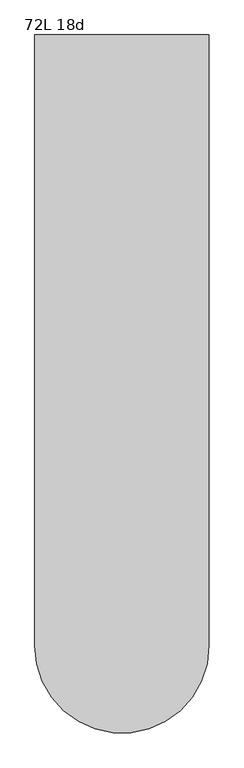
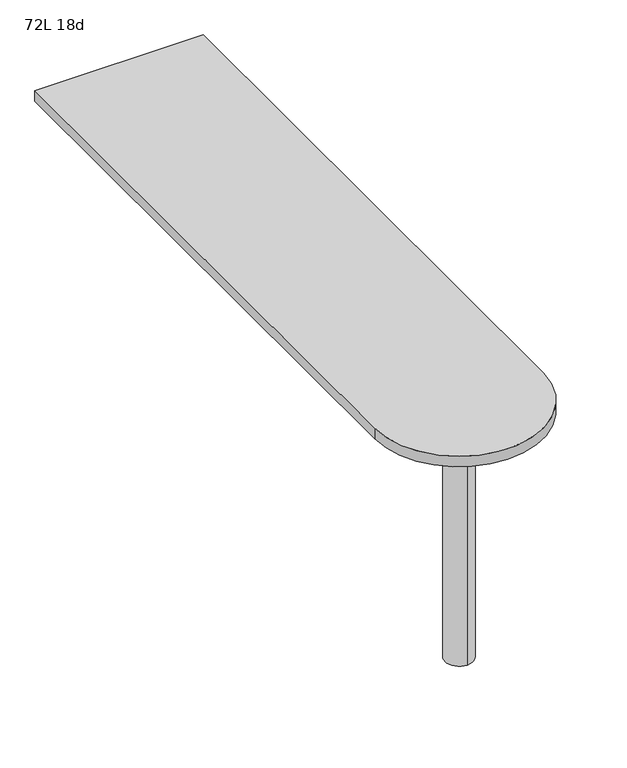
"""IFC4 building model written with IfcOpenShell, lengths in millimetres: furniture geometry, 72L 18d."""

from ifc_helpers import new_model, si_unit, point, frame, frame_2d, origin, place, context, project, spatial, polyline, circle_curve, trimmed, segment, composite_curve, outline, extrude, source, transform, mapped, element, save
from ifc_brep_helpers import plane_surface, cylinder_surface, advanced_brep


def furniture_72l_18d_0ee1b830(model_context):
    return source(origin(), model_context, "Body", "SolidModel", [
        advanced_brep(
        [(0.0, -647.7, 706.4375), (0.0, -723.9, 706.4375), (0.0, -685.8, 706.4375), (0.0, -647.7, 0.0), (0.0, -723.9, 0.0), (0.0, -685.8, 0.0)],
        [
            (0, 1, circle_curve(frame((0.0, -685.8, 706.4375), z_axis=(0.0, 0.0, 1.0), x_axis=(0.0, -1.0, 0.0)), 38.1)),
            (1, 2),
            (2, 0),
            (1, 0, circle_curve(frame((0.0, -685.8, 706.4375), z_axis=(0.0, 0.0, 1.0), x_axis=(0.0, -1.0, 0.0)), 38.1)),
            (3, 4, circle_curve(frame((0.0, -685.8, 0.0), z_axis=(0.0, 0.0, 1.0), x_axis=(0.0, -1.0, 0.0)), 38.1)),
            (4, 1),
            (0, 3),
            (4, 3, circle_curve(frame((0.0, -685.8, 0.0), z_axis=(0.0, 0.0, 1.0), x_axis=(0.0, -1.0, 0.0)), 38.1)),
            (5, 4),
            (3, 5),
        ],
        [
            plane_surface(frame((0.0, -685.8, 706.4375), z_axis=(0.0, 0.0, 1.0), x_axis=(0.0, -1.0, 0.0))),
            cylinder_surface(frame((0.0, -685.8, 889.623257), z_axis=(0.0, 0.0, -1.0), x_axis=(0.0, -1.0, 0.0)), 38.1),
            plane_surface(frame((0.0, -685.8, 0.0), z_axis=(0.0, 0.0, -1.0), x_axis=(0.0, -1.0, 0.0))),
        ],
        [
            (0, [[1, 2, 3]]),
            (0, [[4, -3, -2]]),
            (1, [[5, 6, -1, 7]]),
            (1, [[8, -7, -4, -6]]),
            (2, [[9, -5, 10]]),
            (2, [[-10, -8, -9]]),
        ],
    ),
        extrude(outline(composite_curve([segment(polyline([(-228.6, -685.8), (-228.6, 914.4), (228.6, 914.4), (228.6, -685.8)]), True, "CONTINUOUS"), segment(trimmed(circle_curve(frame_2d((0.0, -685.8)), 228.6), [point((228.6, -685.8))], [point((-228.6, -685.8))], False, "CARTESIAN"), True, "CONTINUOUS")], self_intersect=False)), frame((0.0, 0.0, 706.4375), z_axis=(0.0, 0.0, 1.0), x_axis=(1.0, 0.0, 0.0)), (0.0, 0.0, 1.0), 30.1625),
    ])


if __name__ == "__main__":
    model = new_model("IFC4")
    model_context = context("Model", 3, world=origin())
    ifc_project = project(units=[si_unit("LENGTHUNIT", "METRE", prefix="MILLI")], contexts=[model_context])
    site = spatial("IfcSite", under=ifc_project)
    building = spatial("IfcBuilding", under=site)
    placement = place(None, origin())
    furniture_72l_18d_shape = furniture_72l_18d_0ee1b830(model_context)
    element("IfcFurniture", 1, ObjectType="72L 18d", at=placement, inside=building, context=model_context, shape_type="MappedRepresentation", body=[
        mapped(furniture_72l_18d_shape, transform((0.0, 0.0, 0.0), x_axis=(1.0, 0.0, 0.0), y_axis=(0.0, 1.0, 0.0), z_axis=(0.0, 0.0, 1.0))),
    ])
    save(model, "model.ifc")
